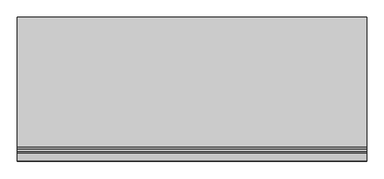
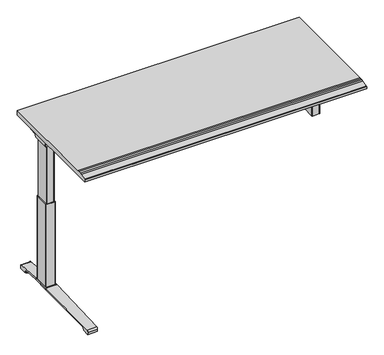
"""IFC4 building model written with IfcOpenShell, lengths in millimetres: furniture geometry."""

from ifc_helpers import new_model, si_unit, point, frame, frame_2d, origin, place, context, project, spatial, polyline, circle_curve, ellipse_curve, trimmed, segment, composite_curve, outline, extrude, source, transform, mapped, element, save
from ifc_brep_helpers import plane_surface, cylinder_surface, revolved_surface, advanced_brep


def furniture_fb7d9b8c(model_context):
    return source(origin(), model_context, "Body", "SolidModel", [
        extrude(outline(polyline([(366.776, 1037.209), (-366.776, 1037.209), (-366.776, 1050.0105997), (-366.1167743, 1051.9474988), (-364.5751839, 1053.0400713), (-326.703664, 1062.3674515), (-315.4800395, 1064.8238668), (-304.0866215, 1066.3050482), (-292.6079981, 1066.8), (366.776, 1066.8), (366.776, 1037.209)])), frame((-887.476, 0.0, 0.0), z_axis=(1.0, 0.0, 0.0), x_axis=(0.0, 1.0, 0.0)), (0.0, 0.0, 1.0), 1774.952),
        advanced_brep(
        [(-871.1406297, 194.2506702, 988.7915733), (-705.4122138, 194.2506702, 988.7915733), (-719.7924181, 192.0222169, 986.1442785), (-868.6518591, 192.0222169, 986.1442785), (-871.3625278, 194.259656, 989.0276054), (-873.7619089, 194.9036827, 1005.9443054), (-690.9773962, 194.9036827, 1005.9443054), (-690.9773962, 194.5556965, 996.8037253), (-693.8075093, 194.4745058, 994.6710821), (-693.9501644, 194.3968397, 992.6310191), (-874.6185362, 200.3707181, 1011.9839076), (-690.9773962, 200.3707181, 1011.9839076), (-877.1393767, 314.9419225, 1029.7569507), (-812.9243442, 314.9419225, 1029.7569507), (-690.9773962, 234.1372, 1017.2219877), (-877.2128152, 318.7179275, 1030.2747243), (-818.6229255, 318.7179275, 1030.2747243), (-877.8871296, 320.2281839, 1035.0289399), (-876.1021288, 317.6512888, 1037.209), (-817.0132011, 317.6512888, 1037.209), (-877.8871296, -38.7453839, 1035.0289399), (-877.2128152, -37.2351275, 1030.2747243), (-818.6229255, -37.2351275, 1030.2747243), (-817.0132011, -36.1684888, 1037.209), (-876.1021288, -36.1684888, 1037.209), (-877.1393767, -33.4591225, 1029.7569507), (-812.9243442, -33.4591225, 1029.7569507), (-874.6185362, 81.1120819, 1011.9839076), (-690.9773962, 81.1120819, 1011.9839076), (-690.9773962, 47.3456, 1017.2219877), (-873.7619089, 86.5791173, 1005.9443054), (-690.9773962, 86.5791173, 1005.9443054), (-871.3625278, 87.223144, 989.0276054), (-871.1406297, 87.2321298, 988.7915733), (-705.4122138, 87.2321298, 988.7915733), (-693.9501644, 87.0859603, 992.6310191), (-693.8075093, 87.0082942, 994.6710821), (-690.9773962, 86.9271035, 996.8037253), (-868.6518591, 89.4605831, 986.1442785), (-719.7924181, 89.4605831, 986.1442785), (-690.9773962, 47.3456, 1037.209), (-690.9773962, 234.1372, 1037.209)],
        [
            (0, 1),
            (1, 2, ellipse_curve(frame((-729.6936465, 271.2884009, 1080.3086722), z_axis=(0.0, 0.7650318638532662, -0.6439924279750482), x_axis=(0.0, 0.6439924279750482, 0.7650318638532662)), 123.7641411, 94.6835116)),
            (2, 3),
            (3, 0),
            (0, 4),
            (4, 5),
            (5, 6),
            (6, 7),
            (7, 8),
            (8, 9),
            (9, 1, ellipse_curve(frame((-729.6936465, 197.7347686, 1080.3086722), z_axis=(0.0, 0.999276106683639, -0.03804290487316255), x_axis=(0.0, 0.03804290487316397, 0.999276106683639)), 94.752102, 94.6835116)),
            (5, 10, ellipse_curve(frame((-873.7119691, 201.3622409, 1005.5922075), z_axis=(-0.990090671484964, 0.0, -0.14042956326377007), x_axis=(-0.1404295632637696, 0.0, 0.990090671484964)), 6.5328852, 6.4681487)),
            (10, 11),
            (11, 6, circle_curve(frame((-690.9773962, 201.3622409, 1005.5922075), z_axis=(1.0, 0.0, 0.0), x_axis=(0.0, 1.0, 0.0)), 6.4681487)),
            (10, 12),
            (12, 13),
            (13, 14),
            (14, 11),
            (12, 15),
            (15, 16),
            (16, 13),
            (15, 17, ellipse_curve(frame((-877.6730772, 316.7408111, 1033.5197755), z_axis=(0.990090671484964, 0.0, 0.14042956326377007), x_axis=(0.1404295632637696, 0.0, -0.990090671484964)), 3.8379455, 3.7999141)),
            (17, 18, ellipse_curve(frame((-879.122811, 316.7408111, 1033.5197755), z_axis=(0.7737284588433301, 0.0, -0.6335173809580328), x_axis=(0.6335173809580328, 0.0, 0.77372845884333)), 4.9111727, 3.7999141)),
            (18, 19),
            (19, 16, ellipse_curve(frame((-815.639148, 316.7408111, 1033.5197755), z_axis=(-0.5523637579768194, -0.8336031902972335, 0.0), x_axis=(0.8336031902972336, -0.5523637579768194, 0.0)), 6.8793689, 3.7999141)),
            (20, 21, ellipse_curve(frame((-877.6730772, -35.2580111, 1033.5197755), z_axis=(0.990090671484964, 0.0, 0.14042956326377007), x_axis=(0.1404295632637696, 0.0, -0.990090671484964)), 3.8379455, 3.7999141)),
            (21, 22),
            (22, 23, ellipse_curve(frame((-815.639148, -35.2580111, 1033.5197755), z_axis=(-0.5523637579750398, 0.8336031902984128, 0.0), x_axis=(0.8336031902984128, 0.5523637579750399, 0.0)), 6.8793689, 3.7999141)),
            (23, 24),
            (24, 20, ellipse_curve(frame((-879.122811, -35.2580111, 1033.5197755), z_axis=(0.7737284588433301, 0.0, -0.6335173809580328), x_axis=(0.6335173809580328, 0.0, 0.77372845884333)), 4.9111727, 3.7999141)),
            (21, 25),
            (25, 26),
            (26, 22),
            (27, 28),
            (28, 29),
            (29, 26),
            (25, 27),
            (27, 30, ellipse_curve(frame((-873.7119691, 80.1205591, 1005.5922075), z_axis=(-0.990090671484964, 0.0, -0.14042956326377007), x_axis=(-0.1404295632637696, 0.0, 0.990090671484964)), 6.5328852, 6.4681487)),
            (30, 31),
            (31, 28, circle_curve(frame((-690.9773962, 80.1205591, 1005.5922075), z_axis=(1.0, 0.0, 0.0), x_axis=(0.0, 1.0, 0.0)), 6.4681487)),
            (30, 32),
            (32, 33),
            (33, 34),
            (34, 35, ellipse_curve(frame((-729.6936465, 83.7480314, 1080.3086722), z_axis=(0.0, -0.9992761066836363, -0.03804290487323539), x_axis=(0.0, 0.03804290487323121, -0.9992761066836364)), 94.752102, 94.6835116)),
            (35, 36),
            (36, 37),
            (37, 31),
            (33, 38),
            (38, 39),
            (39, 34, ellipse_curve(frame((-729.6936465, 10.1943991, 1080.3086722), z_axis=(0.0, -0.7650318638534733, -0.643992427974802), x_axis=(0.0, 0.643992427974802, -0.7650318638534732)), 123.7641411, 94.6835116)),
            (4, 32),
            (20, 17),
            (24, 18),
            (23, 40),
            (40, 41),
            (41, 19),
            (37, 7),
            (14, 41),
            (40, 29),
            (36, 8),
            (35, 9),
            (39, 2),
            (38, 3),
        ],
        [
            plane_surface(frame((-894.1773962, 192.0222169, 986.1442785), z_axis=(0.0, 0.7650318638532662, -0.6439924279750482), x_axis=(1.0, 0.0, 0.0))),
            plane_surface(frame((-894.1773962, 194.2506702, 988.7915733), z_axis=(0.0, 0.999276106683639, -0.03804290487316255), x_axis=(1.0, 0.0, 0.0))),
            revolved_surface(polyline([(-874.6293793154883, 207.8303896, 1005.5922075), (-690.9773962, 207.8303896, 1005.5922075)]), (-894.1773962, 201.3622409, 1005.5922075), (-1.0, 0.0, 0.0)),
            plane_surface(frame((-894.1773962, 200.3707181, 1011.9839076), z_axis=(0.0, 0.153293135871396, -0.9881807600306302), x_axis=(1.0, 0.0, 0.0))),
            plane_surface(frame((-894.1773962, 314.9419225, 1029.7569507), z_axis=(0.0, 0.13585085469026903, -0.9907292996979162), x_axis=(1.0, 0.0, 0.0))),
            cylinder_surface(frame((-894.1773962, 316.7408111, 1033.5197755), z_axis=(1.0, 0.0, 0.0), x_axis=(0.0, 1.0, 0.0)), 3.7999141),
            cylinder_surface(frame((-894.1773962, -35.2580111, 1033.5197755), z_axis=(1.0, 0.0, 0.0), x_axis=(0.0, 1.0, 0.0)), 3.7999141),
            plane_surface(frame((-894.1773962, -37.2351275, 1030.2747243), z_axis=(0.0, -0.13585085468791205, -0.9907292996982394), x_axis=(1.0, 0.0, 0.0))),
            plane_surface(frame((-894.1773962, -33.4591225, 1029.7569507), z_axis=(0.0, -0.1532931358714066, -0.9881807600306285), x_axis=(1.0, 0.0, 0.0))),
            revolved_surface(polyline([(-874.6293793154883, 86.5887078, 1005.5922075), (-690.9773962, 86.5887078, 1005.5922075)]), (-894.1773962, 80.1205591, 1005.5922075), (-1.0, 0.0, 0.0)),
            plane_surface(frame((-894.1773962, 86.5791173, 1005.9443054), z_axis=(0.0, -0.9992761066836363, -0.03804290487323539), x_axis=(1.0, 0.0, 0.0))),
            plane_surface(frame((-894.1773962, 87.2321298, 988.7915733), z_axis=(0.0, -0.7650318638534733, -0.643992427974802), x_axis=(1.0, 0.0, 0.0))),
            plane_surface(frame((-871.3625278, 331.2414, 989.0276054), z_axis=(-0.990090671484964, 0.0, -0.14042956326377007), x_axis=(0.0, -1.0, 0.0))),
            plane_surface(frame((-877.8871296, 331.2414, 1035.0289399), z_axis=(-0.7737284588433301, 0.0, 0.6335173809580328), x_axis=(0.0, -1.0, 0.0))),
            plane_surface(frame((-876.1021288, 331.2414, 1037.209), z_axis=(0.0, 0.0, 1.0), x_axis=(0.0, -1.0, 0.0))),
            plane_surface(frame((-690.9773962, 331.2414, 1037.209), z_axis=(1.0, 0.0, 0.0), x_axis=(0.0, -1.0, 0.0))),
            plane_surface(frame((-690.9773962, 331.2414, 996.8037253), z_axis=(0.6018150231516033, 0.0, -0.7986355100476283), x_axis=(0.0, -1.0, 0.0))),
            plane_surface(frame((-693.8075093, 331.2414, 994.6710821), z_axis=(0.9975640502600401, 0.0, -0.06975647374103827), x_axis=(0.0, -1.0, 0.0))),
            cylinder_surface(frame((-729.6936465, 331.2414, 1080.3086722), z_axis=(0.0, 1.0, 0.0), x_axis=(1.0, 0.0, 0.0)), 94.6835116),
            plane_surface(frame((-719.7924181, 331.2414, 986.1442785), z_axis=(0.0, 0.0, -1.0), x_axis=(0.0, -1.0, 0.0))),
            plane_surface(frame((-868.6518591, 331.2414, 986.1442785), z_axis=(-0.728584606419653, 0.0, -0.6849558170337118), x_axis=(0.0, -1.0, 0.0))),
            plane_surface(frame((-837.5228017, 331.2414, 1037.209), z_axis=(0.5523637579768194, 0.8336031902972335, 0.0), x_axis=(0.0, 0.0, -1.0))),
            plane_surface(frame((-690.9773962, 47.3456, 1037.209), z_axis=(0.5523637579750398, -0.8336031902984128, 0.0), x_axis=(0.0, 0.0, -1.0))),
        ],
        [
            (0, [[1, 2, 3, 4]]),
            (1, [[-1, 5, 6, 7, 8, 9, 10, 11]]),
            (2, [[-7, 12, 13, 14]]),
            (3, [[-13, 15, 16, 17, 18]]),
            (4, [[19, 20, 21, -16]]),
            (5, [[22, 23, 24, 25, -20]]),
            (6, [[26, 27, 28, 29, 30]]),
            (7, [[31, 32, 33, -27]]),
            (8, [[34, 35, 36, -32, 37]]),
            (9, [[-34, 38, 39, 40]]),
            (10, [[-39, 41, 42, 43, 44, 45, 46, 47]]),
            (11, [[-43, 48, 49, 50]]),
            (12, [[51, -41, -38, -37, -31, -26, 52, -22, -19, -15, -12, -6]]),
            (13, [[-52, -30, 53, -23]]),
            (14, [[-53, -29, 54, 55, 56, -24]]),
            (15, [[57, -8, -14, -18, 58, -55, 59, -35, -40, -47]]),
            (16, [[-57, -46, 60, -9]]),
            (17, [[-60, -45, 61, -10]]),
            (18, [[-61, -44, -50, 62, -2, -11]]),
            (19, [[-62, -49, 63, -3]]),
            (20, [[-51, -5, -4, -63, -48, -42]]),
            (21, [[-56, -58, -17, -21, -25]]),
            (22, [[-54, -28, -33, -36, -59]]),
        ],
    ),
        advanced_brep(
        [(705.4122138, 194.2506702, 988.7915733), (871.1406297, 194.2506702, 988.7915733), (868.6518591, 192.0222169, 986.1442785), (719.7924181, 192.0222169, 986.1442785), (693.9501644, 194.3968397, 992.6310191), (693.8075093, 194.4745058, 994.6710821), (691.1619573, 194.5504018, 996.6646485), (691.1619573, 194.9036827, 1005.9443054), (873.7619089, 194.9036827, 1005.9443054), (871.3625278, 194.259656, 989.0276054), (691.1619573, 200.3707181, 1011.9839076), (874.6185362, 200.3707181, 1011.9839076), (691.1619573, 234.1303953, 1017.2209321), (812.9570453, 314.9419225, 1029.7569507), (877.1393767, 314.9419225, 1029.7569507), (877.2128152, 318.7179275, 1030.2747243), (818.6480509, 318.7179275, 1030.2747243), (877.8871296, 320.2281839, 1035.0289399), (817.0404665, 317.6512888, 1037.209), (876.1021288, 317.6512888, 1037.209), (877.2128152, -37.2351275, 1030.2747243), (877.8871296, -38.7453839, 1035.0289399), (876.1021288, -36.1684888, 1037.209), (817.0404665, -36.1684888, 1037.209), (818.6480509, -37.2351275, 1030.2747243), (877.1393767, -33.4591225, 1029.7569507), (812.9570453, -33.4591225, 1029.7569507), (691.1619573, 81.1120819, 1011.9839076), (874.6185362, 81.1120819, 1011.9839076), (691.1619573, 47.3524047, 1017.2209321), (691.1619573, 86.5791173, 1005.9443054), (873.7619089, 86.5791173, 1005.9443054), (691.1619573, 86.9323982, 996.6646485), (693.8075093, 87.0082942, 994.6710821), (693.9501644, 87.0859603, 992.6310191), (705.4122138, 87.2321298, 988.7915733), (871.1406297, 87.2321298, 988.7915733), (871.3625278, 87.223144, 989.0276054), (719.7924181, 89.4605831, 986.1442785), (868.6518591, 89.4605831, 986.1442785), (691.1619573, 234.1303953, 1037.209), (691.1619573, 47.3524047, 1037.209)],
        [
            (0, 1),
            (1, 2),
            (2, 3),
            (3, 0, ellipse_curve(frame((729.6936465, 271.2884009, 1080.3086722), z_axis=(0.0, 0.7650318638532565, -0.6439924279750596), x_axis=(0.0, -0.6439924279750596, -0.7650318638532564)), 123.7641411, 94.6835116)),
            (0, 4, ellipse_curve(frame((729.6936465, 197.7347686, 1080.3086722), z_axis=(0.0, 0.9992761066836392, -0.03804290487315862), x_axis=(0.0, -0.03804290487315623, -0.9992761066836393)), 94.752102, 94.6835116)),
            (4, 5),
            (5, 6),
            (6, 7),
            (7, 8),
            (8, 9),
            (9, 1),
            (7, 10, circle_curve(frame((691.1619573, 201.3622409, 1005.5922075), z_axis=(-1.0, 0.0, 0.0), x_axis=(0.0, 1.0, 0.0)), 6.4681487)),
            (10, 11),
            (11, 8, ellipse_curve(frame((873.7119691, 201.3622409, 1005.5922075), z_axis=(0.9900906714849659, 0.0, -0.1404295632637567), x_axis=(-0.1404295632637562, 0.0, -0.9900906714849659)), 6.5328852, 6.4681487)),
            (10, 12),
            (12, 13),
            (13, 14),
            (14, 11),
            (15, 14),
            (13, 16),
            (16, 15),
            (17, 15, ellipse_curve(frame((877.6730772, 316.7408111, 1033.5197755), z_axis=(-0.9900906714849659, 0.0, 0.1404295632637567), x_axis=(0.1404295632637562, 0.0, 0.9900906714849659)), 3.8379455, 3.7999141)),
            (16, 18, ellipse_curve(frame((815.66824, 316.7408111, 1033.5197755), z_axis=(0.5528743936295497, -0.8332646067539158, 0.0), x_axis=(0.8332646067539156, 0.5528743936295497, 0.0)), 6.8730151, 3.7999141)),
            (18, 19),
            (19, 17, ellipse_curve(frame((879.122811, 316.7408111, 1033.5197755), z_axis=(-0.7737284588399557, 0.0, -0.633517380962154), x_axis=(0.6335173809621538, 0.0, -0.7737284588399556)), 4.9111727, 3.7999141)),
            (20, 21, ellipse_curve(frame((877.6730772, -35.2580111, 1033.5197755), z_axis=(-0.9900906714849659, 0.0, 0.1404295632637567), x_axis=(0.1404295632637562, 0.0, 0.9900906714849659)), 3.8379455, 3.7999141)),
            (21, 22, ellipse_curve(frame((879.122811, -35.2580111, 1033.5197755), z_axis=(-0.7737284588399557, 0.0, -0.633517380962154), x_axis=(0.6335173809621538, 0.0, -0.7737284588399556)), 4.9111727, 3.7999141)),
            (22, 23),
            (23, 24, ellipse_curve(frame((815.66824, -35.2580111, 1033.5197755), z_axis=(0.5528743936295342, 0.8332646067539261, 0.0), x_axis=(0.8332646067539259, -0.5528743936295342, 0.0)), 6.8730151, 3.7999141)),
            (24, 20),
            (25, 20),
            (24, 26),
            (26, 25),
            (27, 28),
            (28, 25),
            (26, 29),
            (29, 27),
            (27, 30, circle_curve(frame((691.1619573, 80.1205591, 1005.5922075), z_axis=(-1.0, 0.0, 0.0), x_axis=(0.0, 1.0, 0.0)), 6.4681487)),
            (30, 31),
            (31, 28, ellipse_curve(frame((873.7119691, 80.1205591, 1005.5922075), z_axis=(0.9900906714849659, 0.0, -0.1404295632637567), x_axis=(-0.1404295632637562, 0.0, -0.9900906714849659)), 6.5328852, 6.4681487)),
            (30, 32),
            (32, 33),
            (33, 34),
            (34, 35, ellipse_curve(frame((729.6936465, 83.7480314, 1080.3086722), z_axis=(0.0, -0.9992761066836363, -0.03804290487323539), x_axis=(0.0, -0.03804290487323121, 0.9992761066836364)), 94.752102, 94.6835116)),
            (35, 36),
            (36, 37),
            (37, 31),
            (35, 38, ellipse_curve(frame((729.6936465, 10.1943991, 1080.3086722), z_axis=(0.0, -0.7650318638534733, -0.643992427974802), x_axis=(0.0, -0.643992427974802, 0.7650318638534732)), 123.7641411, 94.6835116)),
            (38, 39),
            (39, 36),
            (37, 9),
            (17, 21),
            (19, 22),
            (18, 40),
            (40, 41),
            (41, 23),
            (6, 32),
            (29, 41),
            (40, 12),
            (5, 33),
            (4, 34),
            (3, 38),
            (2, 39),
        ],
        [
            plane_surface(frame((691.1619573, 192.0222169, 986.1442785), z_axis=(0.0, 0.7650318638532565, -0.6439924279750596), x_axis=(1.0, 0.0, 0.0))),
            plane_surface(frame((691.1619573, 194.2506702, 988.7915733), z_axis=(0.0, 0.9992761066836392, -0.03804290487315862), x_axis=(1.0, 0.0, 0.0))),
            revolved_surface(polyline([(691.1619573, 207.8303896, 1005.5922075), (874.6293793154882, 207.8303896, 1005.5922075)]), (691.1619573, 201.3622409, 1005.5922075), (-1.0, 0.0, 0.0)),
            plane_surface(frame((691.1619573, 200.3707181, 1011.9839076), z_axis=(0.0, 0.15329313587140309, -0.988180760030629), x_axis=(1.0, 0.0, 0.0))),
            plane_surface(frame((691.1619573, 314.9419225, 1029.7569507), z_axis=(0.0, 0.1358508546900816, -0.9907292996979419), x_axis=(1.0, 0.0, 0.0))),
            cylinder_surface(frame((691.1619573, 316.7408111, 1033.5197755), z_axis=(1.0, 0.0, 0.0), x_axis=(0.0, 1.0, 0.0)), 3.7999141),
            cylinder_surface(frame((691.1619573, -35.2580111, 1033.5197755), z_axis=(1.0, 0.0, 0.0), x_axis=(0.0, 1.0, 0.0)), 3.7999141),
            plane_surface(frame((691.1619573, -37.2351275, 1030.2747243), z_axis=(0.0, -0.1358508546877776, -0.9907292996982578), x_axis=(1.0, 0.0, 0.0))),
            plane_surface(frame((691.1619573, -33.4591225, 1029.7569507), z_axis=(0.0, -0.15329313587141113, -0.9881807600306277), x_axis=(1.0, 0.0, 0.0))),
            revolved_surface(polyline([(691.1619573, 86.5887078, 1005.5922075), (874.6293793154882, 86.5887078, 1005.5922075)]), (691.1619573, 80.1205591, 1005.5922075), (-1.0, 0.0, 0.0)),
            plane_surface(frame((691.1619573, 86.5791173, 1005.9443054), z_axis=(0.0, -0.9992761066836363, -0.03804290487323539), x_axis=(1.0, 0.0, 0.0))),
            plane_surface(frame((691.1619573, 87.2321298, 988.7915733), z_axis=(0.0, -0.7650318638534733, -0.643992427974802), x_axis=(1.0, 0.0, 0.0))),
            plane_surface(frame((871.3625278, -49.7586, 989.0276054), z_axis=(0.9900906714849659, 0.0, -0.1404295632637567), x_axis=(0.0, 1.0, 0.0))),
            plane_surface(frame((877.8871296, -49.7586, 1035.0289399), z_axis=(0.7737284588399557, 0.0, 0.633517380962154), x_axis=(0.0, 1.0, 0.0))),
            plane_surface(frame((876.1021288, -49.7586, 1037.209), z_axis=(0.0, 0.0, 1.0), x_axis=(0.0, 1.0, 0.0))),
            plane_surface(frame((691.1619573, -49.7586, 1037.209), z_axis=(-1.0, 0.0, 0.0), x_axis=(0.0, 1.0, 0.0))),
            plane_surface(frame((691.1619573, -49.7586, 996.6646485), z_axis=(-0.6018150231540728, 0.0, -0.7986355100457674), x_axis=(0.0, 1.0, 0.0))),
            plane_surface(frame((693.8075093, -49.7586, 994.6710821), z_axis=(-0.9975640502598242, 0.0, -0.06975647374412697), x_axis=(0.0, 1.0, 0.0))),
            cylinder_surface(frame((729.6936465, -49.7586, 1080.3086722), z_axis=(0.0, -1.0, 0.0), x_axis=(-1.0, 0.0, 0.0)), 94.6835116),
            plane_surface(frame((719.7924181, -49.7586, 986.1442785), z_axis=(0.0, 0.0, -1.0), x_axis=(0.0, 1.0, 0.0))),
            plane_surface(frame((868.6518591, -49.7586, 986.1442785), z_axis=(0.7285846064222866, 0.0, -0.6849558170309101), x_axis=(0.0, 1.0, 0.0))),
            plane_surface(frame((691.1619573, 234.1303953, 1037.209), z_axis=(-0.5528743936295497, 0.8332646067539158, 0.0), x_axis=(0.0, 0.0, -1.0))),
            plane_surface(frame((837.5228017, -49.7586, 1037.209), z_axis=(-0.5528743936295342, -0.8332646067539261, 0.0), x_axis=(0.0, 0.0, -1.0))),
        ],
        [
            (0, [[1, 2, 3, 4]]),
            (1, [[-1, 5, 6, 7, 8, 9, 10, 11]]),
            (2, [[-9, 12, 13, 14]]),
            (3, [[-13, 15, 16, 17, 18]]),
            (4, [[19, -17, 20, 21]]),
            (5, [[22, -21, 23, 24, 25]]),
            (6, [[26, 27, 28, 29, 30]]),
            (7, [[31, -30, 32, 33]]),
            (8, [[34, 35, -33, 36, 37]]),
            (9, [[-34, 38, 39, 40]]),
            (10, [[-39, 41, 42, 43, 44, 45, 46, 47]]),
            (11, [[-45, 48, 49, 50]]),
            (12, [[51, -10, -14, -18, -19, -22, 52, -26, -31, -35, -40, -47]]),
            (13, [[-52, -25, 53, -27]]),
            (14, [[-53, -24, 54, 55, 56, -28]]),
            (15, [[57, -41, -38, -37, 58, -55, 59, -15, -12, -8]]),
            (16, [[-57, -7, 60, -42]]),
            (17, [[-60, -6, 61, -43]]),
            (18, [[-61, -5, -4, 62, -48, -44]]),
            (19, [[-62, -3, 63, -49]]),
            (20, [[-51, -46, -50, -63, -2, -11]]),
            (21, [[-54, -23, -20, -16, -59]]),
            (22, [[-56, -58, -36, -32, -29]]),
        ],
    ),
        advanced_brep(
        [(-690.9773962, 219.4245697, 1031.9794894), (-690.9773962, 221.1889242, 1034.2075511), (-690.9773962, 232.1695225, 1034.2075511), (-690.9773962, 232.8996919, 1031.6093085), (-690.9773962, 211.4733108, 1002.0462148), (-690.9773962, 194.0724914, 993.4452863), (-690.9773962, 87.2846156, 993.4452863), (-690.9773962, 69.6568217, 1002.4997482), (-690.9773962, 48.3221138, 1032.2706054), (-690.9773962, 49.9606766, 1034.3266572), (-690.9773962, 60.1758098, 1034.3266572), (-690.9773962, 62.0467848, 1031.9794894), (-690.9773962, 61.3055637, 1031.4423822), (-690.9773962, 59.7353363, 1033.4122572), (-690.9773962, 50.0567238, 1033.4122572), (-690.9773962, 49.2508351, 1032.5444366), (-690.9773962, 70.4000744, 1003.0323858), (-690.9773962, 87.2846156, 994.3598536), (-690.9773962, 194.0724914, 994.3596863), (-690.9773962, 210.73984, 1002.5923713), (-690.9773962, 232.0935627, 1032.0552144), (-690.9773962, 231.8362942, 1033.2931511), (-690.9773962, 221.631209, 1033.2931511), (-690.9773962, 220.1656719, 1031.4424419), (691.1619573, 219.4245697, 1031.9794894), (691.1619573, 220.1656719, 1031.4424419), (691.1619573, 221.631209, 1033.2931511), (691.1619573, 231.8362942, 1033.2931511), (691.1619573, 232.0935627, 1032.0552144), (691.1619573, 210.73984, 1002.5923713), (691.1619573, 194.0724914, 994.3596863), (691.1619573, 87.2846155, 994.3596863), (691.1619573, 70.4000744, 1003.0323858), (691.1619573, 49.2508351, 1032.5444366), (691.1619573, 50.0567238, 1033.4122572), (691.1619573, 59.7353363, 1033.4122572), (691.1619573, 61.3055637, 1031.4423822), (691.1619573, 62.0467848, 1031.9794894), (691.1619573, 60.1758098, 1034.3266572), (691.1619573, 49.9606766, 1034.3266572), (691.1619573, 48.3221138, 1032.2706054), (691.1619573, 69.6568217, 1002.4997482), (691.1619573, 87.2846156, 993.4454536), (691.1619573, 194.0724914, 993.4452863), (691.1619573, 211.4733108, 1002.0462148), (691.1619573, 232.8996919, 1031.6093085), (691.1619573, 232.1695225, 1034.2075511), (691.1619573, 221.1889242, 1034.2075511)],
        [
            (0, 1),
            (1, 2),
            (2, 3, circle_curve(frame((-690.9773962, 230.9519576, 1032.4636667), z_axis=(-1.0, 0.0, 0.0), x_axis=(0.0, 1.0, 0.0)), 2.1268749)),
            (3, 4),
            (4, 5, circle_curve(frame((-690.9773962, 194.0724914, 1015.3478336), z_axis=(-1.0, 0.0, 0.0), x_axis=(0.0, 1.0, 0.0)), 21.9025472)),
            (5, 6),
            (6, 7, circle_curve(frame((-690.9773962, 87.2846156, 1015.132365), z_axis=(-1.0, 0.0, 0.0), x_axis=(0.0, 1.0, 0.0)), 21.6869114)),
            (7, 8),
            (8, 9, circle_curve(frame((-690.9773962, 50.3224635, 1032.3573833), z_axis=(-1.0, 0.0, 0.0), x_axis=(0.0, 1.0, 0.0)), 2.0022311)),
            (9, 10),
            (10, 11),
            (11, 12),
            (12, 13),
            (13, 14),
            (14, 15, circle_curve(frame((-690.9773962, 50.3224635, 1032.3573833), z_axis=(1.0, 0.0, 0.0), x_axis=(0.0, 1.0, 0.0)), 1.0878311)),
            (15, 16),
            (16, 17, circle_curve(frame((-690.9773962, 87.2846156, 1015.132365), z_axis=(1.0, 0.0, 0.0), x_axis=(0.0, 1.0, 0.0)), 20.7725114)),
            (17, 18),
            (18, 19, circle_curve(frame((-690.9773962, 194.0724914, 1015.3478336), z_axis=(1.0, 0.0, 0.0), x_axis=(0.0, 1.0, 0.0)), 20.9881473)),
            (19, 20),
            (20, 21, circle_curve(frame((-690.9773962, 230.9519576, 1032.4636667), z_axis=(1.0, 0.0, 0.0), x_axis=(0.0, 1.0, 0.0)), 1.2124749)),
            (21, 22),
            (22, 23),
            (23, 0),
            (24, 25),
            (25, 26),
            (26, 27),
            (27, 28, circle_curve(frame((691.1619573, 230.9519576, 1032.4636667), z_axis=(-1.0, 0.0, 0.0), x_axis=(0.0, 1.0, 0.0)), 1.2124749)),
            (28, 29),
            (29, 30, circle_curve(frame((691.1619573, 194.0724914, 1015.3478336), z_axis=(-1.0, 0.0, 0.0), x_axis=(0.0, 1.0, 0.0)), 20.9881473)),
            (30, 31),
            (31, 32, circle_curve(frame((691.1619573, 87.2846156, 1015.132365), z_axis=(-1.0, 0.0, 0.0), x_axis=(0.0, 1.0, 0.0)), 20.7725114)),
            (32, 33),
            (33, 34, circle_curve(frame((691.1619573, 50.3224635, 1032.3573833), z_axis=(-1.0, 0.0, 0.0), x_axis=(0.0, 1.0, 0.0)), 1.0878311)),
            (34, 35),
            (35, 36),
            (36, 37),
            (37, 38),
            (38, 39),
            (39, 40, circle_curve(frame((691.1619573, 50.3224635, 1032.3573833), z_axis=(1.0, 0.0, 0.0), x_axis=(0.0, 1.0, 0.0)), 2.0022311)),
            (40, 41),
            (41, 42, circle_curve(frame((691.1619573, 87.2846156, 1015.132365), z_axis=(1.0, 0.0, 0.0), x_axis=(0.0, 1.0, 0.0)), 21.6869114)),
            (42, 43),
            (43, 44, circle_curve(frame((691.1619573, 194.0724914, 1015.3478336), z_axis=(1.0, 0.0, 0.0), x_axis=(0.0, 1.0, 0.0)), 21.9025472)),
            (44, 45),
            (45, 46, circle_curve(frame((691.1619573, 230.9519576, 1032.4636667), z_axis=(1.0, 0.0, 0.0), x_axis=(0.0, 1.0, 0.0)), 2.1268749)),
            (46, 47),
            (47, 24),
            (0, 24),
            (47, 1),
            (46, 2),
            (45, 3),
            (44, 4),
            (43, 5),
            (42, 6),
            (41, 7),
            (40, 8),
            (39, 9),
            (38, 10),
            (37, 11),
            (36, 12),
            (35, 13),
            (34, 14),
            (33, 15),
            (32, 16),
            (31, 17),
            (30, 18),
            (29, 19),
            (28, 20),
            (27, 21),
            (26, 22),
            (25, 23),
        ],
        [
            plane_surface(frame((-690.9773962, 140.7414, 1037.209), z_axis=(-1.0, 0.0, 0.0), x_axis=(0.0, 0.0, 1.0))),
            plane_surface(frame((691.1619573, 140.7414, 1037.209), z_axis=(1.0, 0.0, 0.0), x_axis=(0.0, 0.0, 1.0))),
            plane_surface(frame((-690.9773962, 219.4245697, 1031.9794894), z_axis=(0.0, -0.7839649337165058, 0.6208051084703434), x_axis=(1.0, 0.0, 0.0))),
            plane_surface(frame((-690.9773962, 221.1889242, 1034.2075511), z_axis=(0.0, 0.0, 1.0), x_axis=(1.0, 0.0, 0.0))),
            cylinder_surface(frame((-690.9773962, 230.9519576, 1032.4636667), z_axis=(-1.0, 0.0, 0.0), x_axis=(0.0, 1.0, 0.0)), 2.1268749),
            plane_surface(frame((-690.9773962, 232.8996919, 1031.6093085), z_axis=(0.0, 0.8096997445281038, -0.586844377762217), x_axis=(1.0, 0.0, 0.0))),
            cylinder_surface(frame((-690.9773962, 194.0724914, 1015.3478336), z_axis=(-1.0, 0.0, 0.0), x_axis=(0.0, 1.0, 0.0)), 21.9025472),
            plane_surface(frame((-690.9773962, 194.0724914, 993.4452863), z_axis=(0.0, 0.0, -1.0), x_axis=(1.0, 0.0, 0.0))),
            cylinder_surface(frame((-690.9773962, 87.2846156, 1015.132365), z_axis=(-1.0, 0.0, 0.0), x_axis=(0.0, 1.0, 0.0)), 21.6869114),
            plane_surface(frame((-690.9773962, 69.6568217, 1002.4997482), z_axis=(0.0, -0.8128309997561537, -0.5824995844079305), x_axis=(1.0, 0.0, 0.0))),
            cylinder_surface(frame((-690.9773962, 50.3224635, 1032.3573833), z_axis=(-1.0, 0.0, 0.0), x_axis=(0.0, 1.0, 0.0)), 2.0022311),
            plane_surface(frame((-690.9773962, 49.9606766, 1034.3266572), z_axis=(0.0, 0.0, 1.0), x_axis=(1.0, 0.0, 0.0))),
            plane_surface(frame((-690.9773962, 60.1758098, 1034.3266572), z_axis=(0.0, 0.7819660587237972, 0.6233210112004657), x_axis=(1.0, 0.0, 0.0))),
            plane_surface(frame((-690.9773962, 62.0467848, 1031.9794894), z_axis=(0.0, 0.5867684336468096, -0.8097547809526473), x_axis=(1.0, 0.0, 0.0))),
            plane_surface(frame((-690.9773962, 61.3055637, 1031.4423822), z_axis=(0.0, -0.7819660587239206, -0.6233210112003109), x_axis=(1.0, 0.0, 0.0))),
            plane_surface(frame((-690.9773962, 59.7353363, 1033.4122572), z_axis=(0.0, 0.0, -1.0), x_axis=(1.0, 0.0, 0.0))),
            revolved_surface(polyline([(691.1619573000002, 51.4102946, 1032.3573833), (-690.9773962, 51.4102946, 1032.3573833)]), (-690.9773962, 50.3224635, 1032.3573833), (1.0, 0.0, 0.0)),
            plane_surface(frame((-690.9773962, 49.2508351, 1032.5444366), z_axis=(0.0, 0.8128309996716102, 0.582499584525904), x_axis=(1.0, 0.0, 0.0))),
            revolved_surface(polyline([(691.1619573000002, 108.057127, 1015.132365), (-690.9773962, 108.057127, 1015.132365)]), (-690.9773962, 87.2846156, 1015.132365), (1.0, 0.0, 0.0)),
            plane_surface(frame((-690.9773962, 87.2846155, 994.3596863), z_axis=(0.0, 0.0, 1.0), x_axis=(1.0, 0.0, 0.0))),
            revolved_surface(polyline([(691.1619573000002, 215.0606387, 1015.3478336), (-690.9773962, 215.0606387, 1015.3478336)]), (-690.9773962, 194.0724914, 1015.3478336), (1.0, 0.0, 0.0)),
            plane_surface(frame((-690.9773962, 210.73984, 1002.5923713), z_axis=(0.0, -0.8096997449536107, 0.5868443771751228), x_axis=(1.0, 0.0, 0.0))),
            revolved_surface(polyline([(691.1619573000002, 232.16443249999998, 1032.4636667), (-690.9773962, 232.16443249999998, 1032.4636667)]), (-690.9773962, 230.9519576, 1032.4636667), (1.0, 0.0, 0.0)),
            plane_surface(frame((-690.9773962, 231.8362942, 1033.2931511), z_axis=(0.0, 0.0, -1.0), x_axis=(1.0, 0.0, 0.0))),
            plane_surface(frame((-690.9773962, 221.631209, 1033.2931511), z_axis=(0.0, 0.7839649337164979, -0.6208051084703533), x_axis=(1.0, 0.0, 0.0))),
            plane_surface(frame((-690.9773962, 220.1656719, 1031.4424419), z_axis=(0.0, -0.5867873637752554, -0.8097410633737715), x_axis=(1.0, 0.0, 0.0))),
        ],
        [
            (0, [[1, 2, 3, 4, 5, 6, 7, 8, 9, 10, 11, 12, 13, 14, 15, 16, 17, 18, 19, 20, 21, 22, 23, 24]]),
            (1, [[25, 26, 27, 28, 29, 30, 31, 32, 33, 34, 35, 36, 37, 38, 39, 40, 41, 42, 43, 44, 45, 46, 47, 48]]),
            (2, [[-1, 49, -48, 50]]),
            (3, [[-2, -50, -47, 51]]),
            (4, [[-3, -51, -46, 52]]),
            (5, [[-4, -52, -45, 53]]),
            (6, [[-5, -53, -44, 54]]),
            (7, [[-6, -54, -43, 55]]),
            (8, [[-7, -55, -42, 56]]),
            (9, [[-8, -56, -41, 57]]),
            (10, [[-9, -57, -40, 58]]),
            (11, [[-10, -58, -39, 59]]),
            (12, [[-11, -59, -38, 60]]),
            (13, [[-12, -60, -37, 61]]),
            (14, [[-13, -61, -36, 62]]),
            (15, [[-14, -62, -35, 63]]),
            (16, [[-15, -63, -34, 64]]),
            (17, [[-16, -64, -33, 65]]),
            (18, [[-17, -65, -32, 66]]),
            (19, [[-18, -66, -31, 67]]),
            (20, [[-19, -67, -30, 68]]),
            (21, [[-20, -68, -29, 69]]),
            (22, [[-21, -69, -28, 70]]),
            (23, [[-22, -70, -27, 71]]),
            (24, [[-23, -71, -26, 72]]),
            (25, [[-24, -72, -25, -49]]),
        ],
    ),
        extrude(outline(composite_curve([segment(polyline([(55.5056383, 1035.5739712), (47.2253898, 1035.5739712), (46.7140592, 1034.5565876), (69.739753, 1002.6872047)]), True, "CONTINUOUS"), segment(trimmed(circle_curve(frame_2d((87.8837814, 1018.2741393)), 23.9198306), [point((69.739753, 1002.6872047))], [point((87.8837814, 994.3543087))], True, "CARTESIAN"), True, "CONTINUOUS"), segment(polyline([(87.8837814, 994.3543087), (301.5718611, 994.3543087)]), True, "CONTINUOUS"), segment(trimmed(circle_curve(frame_2d((302.3659677, 1016.4522042)), 22.1121593), [point((301.5718611, 994.3543087))], [point((320.2711793, 1003.4771903))], True, "CARTESIAN"), True, "CONTINUOUS"), segment(polyline([(320.2711793, 1003.4771903), (342.2234672, 1033.7708273), (342.9639039, 1033.2342821), (321.0116102, 1002.940637)]), True, "CONTINUOUS"), segment(trimmed(circle_curve(frame_2d((302.3659677, 1016.4522042)), 23.0265593), [point((321.0116102, 1002.940637))], [point((301.555603, 993.4399087))], False, "CARTESIAN"), True, "CONTINUOUS"), segment(polyline([(301.555603, 993.4399087), (87.8837814, 993.4399087)]), True, "CONTINUOUS"), segment(trimmed(circle_curve(frame_2d((87.8837814, 1018.2741393)), 24.8342306), [point((87.8837814, 993.4399087))], [point((69.0208769, 1002.1208163))], False, "CARTESIAN"), True, "CONTINUOUS"), segment(polyline([(69.0208769, 1002.1208163), (45.6477131, 1034.4711252), (46.6615684, 1036.4883712), (55.7445219, 1036.4883712), (55.5056383, 1035.5739712)]), True, "CONTINUOUS")], self_intersect=False)), frame((-690.9773962, 0.0, 0.0), z_axis=(1.0, 0.0, 0.0), x_axis=(0.0, 1.0, 0.0)), (0.0, 0.0, 1.0), 1382.1393535),
        advanced_brep(
        [(814.7283088, 185.4896497, 986.1442785), (811.9624028, 183.1364111, 986.1442785), (811.9624028, 98.3627858, 986.1442785), (815.0159671, 96.013387, 986.1442785), (858.3299922, 95.9931503, 986.1442785), (861.3895972, 98.3628936, 986.1442785), (861.3895972, 183.1364956, 986.1442785), (858.6236912, 185.4896497, 986.1442785), (814.7283088, 185.4896497, 599.0990785), (858.6236912, 185.4896497, 599.0990785), (861.3895972, 183.1364956, 599.0990785), (861.3895972, 98.3628936, 599.0990785), (858.3360098, 96.0133923, 599.0990785), (815.0220078, 95.9931503, 599.0990785), (811.9624028, 98.3627858, 599.0990785), (811.9624028, 183.1364111, 599.0990785)],
        [
            (0, 1, circle_curve(frame((815.0300788, 182.3328719, 986.1442785), z_axis=(0.0, 0.0, 1.0), x_axis=(1.0, 0.0, 0.0)), 3.1711688)),
            (1, 2),
            (2, 3, circle_curve(frame((815.0159671, 99.172478, 986.1442785), z_axis=(0.0, 0.0, 1.0), x_axis=(1.0, 0.0, 0.0)), 3.1590911)),
            (3, 4),
            (4, 5, circle_curve(frame((858.3360098, 99.172478, 986.1442785), z_axis=(0.0, 0.0, 1.0), x_axis=(1.0, 0.0, 0.0)), 3.1590858)),
            (5, 6),
            (6, 7, circle_curve(frame((858.3219439, 182.3328698, 986.1442785), z_axis=(0.0, 0.0, 1.0), x_axis=(1.0, 0.0, 0.0)), 3.1711687)),
            (7, 0),
            (8, 9),
            (9, 10, circle_curve(frame((858.3219439, 182.3328698, 599.0990785), z_axis=(0.0, 0.0, -1.0), x_axis=(1.0, 0.0, 0.0)), 3.1711687)),
            (10, 11),
            (11, 12, circle_curve(frame((858.3360098, 99.172478, 599.0990785), z_axis=(0.0, 0.0, -1.0), x_axis=(1.0, 0.0, 0.0)), 3.1590858)),
            (12, 13),
            (13, 14, circle_curve(frame((815.0159671, 99.172478, 599.0990785), z_axis=(0.0, 0.0, -1.0), x_axis=(1.0, 0.0, 0.0)), 3.1590911)),
            (14, 15),
            (15, 8, circle_curve(frame((815.0300788, 182.3328719, 599.0990785), z_axis=(0.0, 0.0, -1.0), x_axis=(1.0, 0.0, 0.0)), 3.1711688)),
            (7, 9),
            (8, 0),
            (6, 10),
            (5, 11),
            (4, 12),
            (3, 13),
            (2, 14),
            (1, 15),
        ],
        [
            plane_surface(frame((818.2012476, 182.3328719, 986.1442785), z_axis=(0.0, 0.0, 1.0), x_axis=(0.0, 1.0, 0.0))),
            plane_surface(frame((818.2012476, 182.3328719, 599.0990785), z_axis=(0.0, 0.0, -1.0), x_axis=(0.0, -1.0, 0.0))),
            plane_surface(frame((858.6236912, 185.4896497, 986.1442785), z_axis=(0.0, 1.0, 0.0), x_axis=(0.0, 0.0, -1.0))),
            cylinder_surface(frame((858.3219439, 182.3328698, 599.0990785), z_axis=(0.0, 0.0, 1.0), x_axis=(1.0, 0.0, 0.0)), 3.1711687),
            plane_surface(frame((861.3895972, 98.3628936, 986.1442785), z_axis=(1.0, 0.0, 0.0), x_axis=(0.0, 0.0, -1.0))),
            cylinder_surface(frame((858.3360098, 99.172478, 599.0990785), z_axis=(0.0, 0.0, 1.0), x_axis=(1.0, 0.0, 0.0)), 3.1590858),
            plane_surface(frame((815.0220078, 95.9931503, 986.1442785), z_axis=(0.0, -1.0, 0.0), x_axis=(0.0, 0.0, -1.0))),
            cylinder_surface(frame((815.0159671, 99.172478, 599.0990785), z_axis=(0.0, 0.0, 1.0), x_axis=(1.0, 0.0, 0.0)), 3.1590911),
            plane_surface(frame((811.9624028, 183.1364111, 986.1442785), z_axis=(-1.0, 0.0, 0.0), x_axis=(0.0, 0.0, -1.0))),
            cylinder_surface(frame((815.0300788, 182.3328719, 599.0990785), z_axis=(0.0, 0.0, 1.0), x_axis=(1.0, 0.0, 0.0)), 3.1711688),
        ],
        [
            (0, [[1, 2, 3, 4, 5, 6, 7, 8]]),
            (1, [[9, 10, 11, 12, 13, 14, 15, 16]]),
            (2, [[-8, 17, -9, 18]]),
            (3, [[-7, 19, -10, -17]]),
            (4, [[-6, 20, -11, -19]]),
            (5, [[-5, 21, -12, -20]]),
            (6, [[-4, 22, -13, -21]]),
            (7, [[-3, 23, -14, -22]]),
            (8, [[-2, 24, -15, -23]]),
            (9, [[-1, -18, -16, -24]]),
        ],
    ),
        advanced_brep(
        [(-814.7283088, 185.4896497, 986.1442785), (-858.6236912, 185.4896497, 986.1442785), (-861.3806448, 183.1699241, 986.1442785), (-861.3806448, 98.3298508, 986.1442785), (-858.3360098, 96.0133923, 986.1442785), (-815.0220078, 95.9931503, 986.1442785), (-811.9713552, 98.3297475, 986.1442785), (-811.9713552, 183.1698433, 986.1442785), (-814.7283088, 185.4896497, 599.0990785), (-811.9713552, 183.1698433, 599.0990785), (-811.9713552, 98.3297475, 599.0990785), (-815.0159671, 96.013387, 599.0990785), (-858.3299922, 95.9931503, 599.0990785), (-861.3806448, 98.3298508, 599.0990785), (-861.3806448, 183.1699241, 599.0990785), (-858.6236912, 185.4896497, 599.0990785)],
        [
            (0, 1),
            (1, 2, circle_curve(frame((-858.3219439, 182.3328698, 986.1442785), z_axis=(0.0, 0.0, 1.0), x_axis=(-1.0, 0.0, 0.0)), 3.1711687)),
            (2, 3),
            (3, 4, circle_curve(frame((-858.3360098, 99.172478, 986.1442785), z_axis=(0.0, 0.0, 1.0), x_axis=(-1.0, 0.0, 0.0)), 3.1590858)),
            (4, 5),
            (5, 6, circle_curve(frame((-815.0159671, 99.172478, 986.1442785), z_axis=(0.0, 0.0, 1.0), x_axis=(-1.0, 0.0, 0.0)), 3.1590911)),
            (6, 7),
            (7, 0, circle_curve(frame((-815.0300788, 182.3328719, 986.1442785), z_axis=(0.0, 0.0, 1.0), x_axis=(-1.0, 0.0, 0.0)), 3.1711688)),
            (8, 9, circle_curve(frame((-815.0300788, 182.3328719, 599.0990785), z_axis=(0.0, 0.0, -1.0), x_axis=(-1.0, 0.0, 0.0)), 3.1711688)),
            (9, 10),
            (10, 11, circle_curve(frame((-815.0159671, 99.172478, 599.0990785), z_axis=(0.0, 0.0, -1.0), x_axis=(-1.0, 0.0, 0.0)), 3.1590911)),
            (11, 12),
            (12, 13, circle_curve(frame((-858.3360098, 99.172478, 599.0990785), z_axis=(0.0, 0.0, -1.0), x_axis=(-1.0, 0.0, 0.0)), 3.1590858)),
            (13, 14),
            (14, 15, circle_curve(frame((-858.3219439, 182.3328698, 599.0990785), z_axis=(0.0, 0.0, -1.0), x_axis=(-1.0, 0.0, 0.0)), 3.1711687)),
            (15, 8),
            (0, 8),
            (15, 1),
            (14, 2),
            (13, 3),
            (12, 4),
            (11, 5),
            (10, 6),
            (9, 7),
        ],
        [
            plane_surface(frame((-858.6236912, 185.4896497, 986.1442785), z_axis=(0.0, 0.0, 1.0), x_axis=(-1.0, 0.0, 0.0))),
            plane_surface(frame((-858.6236912, 185.4896497, 599.0990785), z_axis=(0.0, 0.0, -1.0), x_axis=(1.0, 0.0, 0.0))),
            plane_surface(frame((-814.7283088, 185.4896497, 986.1442785), z_axis=(0.0, 1.0, 0.0), x_axis=(0.0, 0.0, -1.0))),
            cylinder_surface(frame((-858.3219439, 182.3328698, 599.0990785), z_axis=(0.0, 0.0, 1.0), x_axis=(-1.0, 0.0, 0.0)), 3.1711687),
            plane_surface(frame((-861.3806448, 183.1699241, 986.1442785), z_axis=(-1.0, 0.0, 0.0), x_axis=(0.0, 0.0, -1.0))),
            cylinder_surface(frame((-858.3360098, 99.172478, 599.0990785), z_axis=(0.0, 0.0, 1.0), x_axis=(-1.0, 0.0, 0.0)), 3.1590858),
            plane_surface(frame((-858.3299922, 95.9931503, 986.1442785), z_axis=(0.0, -1.0, 0.0), x_axis=(0.0, 0.0, -1.0))),
            cylinder_surface(frame((-815.0159671, 99.172478, 599.0990785), z_axis=(0.0, 0.0, 1.0), x_axis=(-1.0, 0.0, 0.0)), 3.1590911),
            plane_surface(frame((-811.9713552, 98.3297475, 986.1442785), z_axis=(1.0, 0.0, 0.0), x_axis=(0.0, 0.0, -1.0))),
            cylinder_surface(frame((-815.0300788, 182.3328719, 599.0990785), z_axis=(0.0, 0.0, 1.0), x_axis=(-1.0, 0.0, 0.0)), 3.1711688),
        ],
        [
            (0, [[1, 2, 3, 4, 5, 6, 7, 8]]),
            (1, [[9, 10, 11, 12, 13, 14, 15, 16]]),
            (2, [[-1, 17, -16, 18]]),
            (3, [[-2, -18, -15, 19]]),
            (4, [[-3, -19, -14, 20]]),
            (5, [[-4, -20, -13, 21]]),
            (6, [[-5, -21, -12, 22]]),
            (7, [[-6, -22, -11, 23]]),
            (8, [[-7, -23, -10, 24]]),
            (9, [[-8, -24, -9, -17]]),
        ],
    ),
        advanced_brep(
        [(-806.9785054, 366.395, 26.8186), (-806.738546, 358.907527, 35.7787117), (-801.5452167, 196.8596127, 48.10013), (-801.5452167, 196.8596127, 38.9541198), (-805.2147479, 311.3603185, 29.0296138), (-805.4055925, 317.3152602, 22.833301), (-805.4414534, 318.4342309, 10.0434261), (-806.9321874, 364.9497362, 10.041053), (-866.6130961, 358.907527, 35.7787117), (-866.3731367, 366.395, 26.8186), (-866.4194547, 364.9497362, 10.041053), (-867.9101887, 318.4342309, 10.0434261), (-867.9460496, 317.3152602, 22.833301), (-868.1368942, 311.3603185, 29.0296138), (-871.8064257, 196.8596013, 38.9541208), (-871.8064254, 196.8596127, 48.10013)],
        [
            (0, 1, ellipse_curve(frame((-806.7139784, 358.1409412, 27.5296273), z_axis=(0.9994868545941119, 0.03203166392132278, 0.0), x_axis=(0.032031663921322555, -0.9994868545941119, 0.0)), 8.2888806, 8.2846272)),
            (1, 2, ellipse_curve(frame((-751.6154773, -1361.1024809, -21513.5555316), z_axis=(0.9994868545941119, 0.03203166392132278, 0.0), x_axis=(0.032031663921322555, -0.9994868545941119, 0.0)), 21628.9673577, 21617.8685525)),
            (2, 3),
            (3, 4),
            (4, 5, ellipse_curve(frame((-805.1869516, 310.4929906, 22.2364289), z_axis=(-0.9994868545941119, -0.03203166392132278, 0.0), x_axis=(-0.032031663921322555, 0.9994868545941119, 0.0)), 6.8518456, 6.8483297)),
            (5, 6),
            (6, 7),
            (7, 0),
            (8, 9, ellipse_curve(frame((-866.6376637, 358.1409412, 27.5296273), z_axis=(-0.9994868545941159, 0.032031663921201325, 0.0), x_axis=(0.032031663921197655, 0.999486854594116, 0.0)), 8.2888806, 8.2846272)),
            (9, 10),
            (10, 11),
            (11, 12),
            (12, 13, ellipse_curve(frame((-868.1646904, 310.4929906, 22.2364289), z_axis=(0.9994868545941159, -0.032031663921201325, 0.0), x_axis=(-0.032031663921197655, -0.999486854594116, 0.0)), 6.8518456, 6.8483297)),
            (13, 14),
            (14, 15),
            (15, 8, ellipse_curve(frame((-921.7361648, -1361.1024809, -21513.5555316), z_axis=(-0.9994868545941159, 0.032031663921201325, 0.0), x_axis=(0.032031663921197655, 0.999486854594116, 0.0)), 21628.9673577, 21617.8685525)),
            (0, 9),
            (8, 1),
            (7, 10),
            (6, 11),
            (5, 12),
            (4, 13),
            (3, 14),
            (2, 15),
        ],
        [
            plane_surface(frame((-807.0293817, 367.9825, 48.10013), z_axis=(0.9994868545941119, 0.03203166392132278, 0.0), x_axis=(0.0, 0.0, -1.0))),
            plane_surface(frame((-871.8064254, 196.8596127, 48.10013), z_axis=(-0.9994868545941159, 0.032031663921201325, 0.0), x_axis=(0.0, 0.0, -1.0))),
            cylinder_surface(frame((-871.8067833, 358.1409412, 27.5296273), z_axis=(1.0, 0.0, 0.0), x_axis=(0.0, 1.0, 0.0)), 8.2846272),
            plane_surface(frame((-801.5452167, 364.9497362, 10.041053), z_axis=(0.0, 0.9963102368704431, -0.08582489095339255), x_axis=(-1.0, 0.0, 0.0))),
            plane_surface(frame((-801.5452167, 318.4342309, 10.0434261), z_axis=(0.0, -5.101798420145369e-05, -0.9999999986985827), x_axis=(-1.0, 0.0, 0.0))),
            plane_surface(frame((-801.5452167, 317.3152602, 22.833301), z_axis=(0.0, -0.996194687383787, -0.08715586514009782), x_axis=(-1.0, 0.0, 0.0))),
            revolved_surface(polyline([(-868.3841664154992, 317.3413203, 22.2364289), (-804.9674755845001, 317.3413203, 22.2364289)]), (-871.8067833, 310.4929906, 22.2364289), (-1.0, 0.0, 0.0)),
            plane_surface(frame((-801.5452167, 196.8596127, 38.9541198), z_axis=(0.0, -0.08635260649848528, -0.9962646372078644), x_axis=(-1.0, 0.0, 0.0))),
            plane_surface(frame((-801.5452167, 196.8596127, 48.10013), z_axis=(0.0, -1.0, 0.0), x_axis=(-1.0, 0.0, 0.0))),
            cylinder_surface(frame((-871.8067833, -1361.1024809, -21513.5555316), z_axis=(1.0, 0.0, 0.0), x_axis=(0.0, 1.0, 0.0)), 21617.8685525),
        ],
        [
            (0, [[1, 2, 3, 4, 5, 6, 7, 8]]),
            (1, [[9, 10, 11, 12, 13, 14, 15, 16]]),
            (2, [[17, -9, 18, -1]]),
            (3, [[-17, -8, 19, -10]]),
            (4, [[-19, -7, 20, -11]]),
            (5, [[-20, -6, 21, -12]]),
            (6, [[-21, -5, 22, -13]]),
            (7, [[23, -14, -22, -4]]),
            (8, [[-23, -3, 24, -15]]),
            (9, [[-24, -2, -18, -16]]),
        ],
    ),
        extrude(outline(polyline([(-801.5452167, 196.8596127), (-801.5452167, 84.6231873), (-871.8067833, 84.6231873), (-871.8067833, 196.8596127), (-801.5452167, 196.8596127)])), frame((0.0, 0.0, 38.9541198), z_axis=(0.0, 0.0, 1.0), x_axis=(1.0, 0.0, 0.0)), (0.0, 0.0, 1.0), 9.1460102),
        advanced_brep(
        [(-806.9194214, -358.907527, 35.7787117), (-866.4322206, -358.907527, 35.7787117), (-866.3414959, -366.395, 26.8186), (-807.0101462, -366.395, 26.8186), (-866.359008, -364.9497362, 10.041053), (-806.9926341, -364.9497362, 10.041053), (-866.9226304, -318.4342309, 10.0434261), (-806.4290117, -318.4342309, 10.0434261), (-866.9361888, -317.3152602, 22.833301), (-806.4154533, -317.3152602, 22.833301), (-867.0083441, -311.3603185, 29.0296138), (-806.343298, -311.3603185, 29.0296138), (-871.8067833, 84.6231873, 38.9541198), (-801.5452167, 84.6231873, 38.9541198), (-871.8064254, 84.6231873, 48.10013), (-801.5452167, 84.6231873, 48.10013)],
        [
            (0, 1),
            (1, 2, ellipse_curve(frame((-866.4415093, -358.1409412, 27.5296273), z_axis=(0.9999265987939377, 0.012115982188316428, 0.0), x_axis=(0.012115982188303884, -0.9999265987939377, 0.0)), 8.2852353, 8.2846272)),
            (2, 3),
            (3, 0, ellipse_curve(frame((-806.9101328, -358.1409412, 27.5296273), z_axis=(-0.9999265987939382, 0.01211598218828017, 0.0), x_axis=(0.012115982188270034, 0.9999265987939382, 0.0)), 8.2852353, 8.2846272)),
            (2, 4),
            (4, 5),
            (5, 3),
            (4, 6),
            (6, 7),
            (7, 5),
            (6, 8),
            (8, 9),
            (9, 7),
            (8, 10, ellipse_curve(frame((-867.0188534, -310.4929906, 22.2364289), z_axis=(-0.9999265987939377, -0.012115982188316428, 0.0), x_axis=(-0.012115982188303884, 0.9999265987939377, 0.0)), 6.8488324, 6.8483297)),
            (10, 11),
            (11, 9, ellipse_curve(frame((-806.3327887, -310.4929906, 22.2364289), z_axis=(0.9999265987939382, -0.01211598218828017, 0.0), x_axis=(-0.012115982188270034, -0.9999265987939382, 0.0)), 6.8488324, 6.8483297)),
            (12, 13),
            (13, 11),
            (10, 12),
            (12, 14),
            (14, 15),
            (15, 13),
            (14, 1, ellipse_curve(frame((-887.273361, 1361.1024809, -53889.9620034), z_axis=(0.9999265987939377, 0.012115982188316428, 0.0), x_axis=(0.012115982188303884, -0.9999265987939377, 0.0)), 53957.1248932, 53953.1643751)),
            (0, 15, ellipse_curve(frame((-786.0782811, 1361.1024809, -53889.9620034), z_axis=(-0.9999265987939382, 0.01211598218828017, 0.0), x_axis=(0.012115982188270034, 0.9999265987939382, 0.0)), 53957.1248932, 53953.1643751)),
        ],
        [
            cylinder_surface(frame((-871.8067833, -358.1409412, 27.5296273), z_axis=(1.0, 0.0, 0.0), x_axis=(0.0, 1.0, 0.0)), 8.2846272),
            plane_surface(frame((-801.5452167, -366.395, 26.8186), z_axis=(0.0, -0.9963102368704919, -0.08582489095282501), x_axis=(-1.0, 0.0, 0.0))),
            plane_surface(frame((-801.5452167, -364.9497362, 10.041053), z_axis=(0.0, 5.1017983988472716e-05, -0.9999999986985827), x_axis=(-1.0, 0.0, 0.0))),
            plane_surface(frame((-801.5452167, -318.4342309, 10.0434261), z_axis=(0.0, 0.9961946873837942, -0.08715586514001598), x_axis=(-1.0, 0.0, 0.0))),
            revolved_surface(polyline([(-867.1018337313691, -303.64466089999996, 22.2364289), (-806.2498083686312, -303.64466089999996, 22.2364289)]), (-871.8067833, -310.4929906, 22.2364289), (-1.0, 0.0, 0.0)),
            plane_surface(frame((-801.5452167, -311.3603185, 29.0296138), z_axis=(0.0, 0.025055059879537277, -0.9996860727120453), x_axis=(-1.0, 0.0, 0.0))),
            plane_surface(frame((-801.5452167, 84.6231873, 38.9541198), z_axis=(0.0, 1.0, 0.0), x_axis=(-1.0, 0.0, 0.0))),
            cylinder_surface(frame((-871.8067833, 1361.1024809, -53889.9620034), z_axis=(1.0, 0.0, 0.0), x_axis=(0.0, 1.0, 0.0)), 53953.1643751),
            plane_surface(frame((-801.5452167, 84.6231873, 48.10013), z_axis=(0.9999265987939382, -0.01211598218828017, 0.0), x_axis=(0.0, 0.0, -1.0))),
            plane_surface(frame((-866.3222604, -367.9825, 48.10013), z_axis=(-0.9999265987939377, -0.012115982188316428, 0.0), x_axis=(0.0, 0.0, -1.0))),
        ],
        [
            (0, [[1, 2, 3, 4]]),
            (1, [[-3, 5, 6, 7]]),
            (2, [[-6, 8, 9, 10]]),
            (3, [[-9, 11, 12, 13]]),
            (4, [[-12, 14, 15, 16]]),
            (5, [[17, 18, -15, 19]]),
            (6, [[-17, 20, 21, 22]]),
            (7, [[-21, 23, -1, 24]]),
            (8, [[-4, -7, -10, -13, -16, -18, -22, -24]]),
            (9, [[-2, -23, -20, -19, -14, -11, -8, -5]]),
        ],
    ),
        extrude(outline(composite_curve([segment(trimmed(circle_curve(frame_2d((-809.016092, 188.467308)), 2.248592), [point((-809.016092, 190.7159))], [point((-806.7675, 188.467308))], False, "CARTESIAN"), True, "CONTINUOUS"), segment(polyline([(-806.7675, 188.467308), (-806.7675, 93.0155469)]), True, "CONTINUOUS"), segment(trimmed(circle_curve(frame_2d((-809.0161469, 93.0155469)), 2.2486469), [point((-806.7675, 93.0155469))], [point((-809.0161469, 90.7669))], False, "CARTESIAN"), True, "CONTINUOUS"), segment(polyline([(-809.0161469, 90.7669), (-864.335908, 90.7669)]), True, "CONTINUOUS"), segment(trimmed(circle_curve(frame_2d((-864.335908, 93.015492)), 2.248592), [point((-864.335908, 90.7669))], [point((-866.5845, 93.015492))], False, "CARTESIAN"), True, "CONTINUOUS"), segment(polyline([(-866.5845, 93.015492), (-866.5845, 188.467308)]), True, "CONTINUOUS"), segment(trimmed(circle_curve(frame_2d((-864.335908, 188.467308)), 2.248592), [point((-866.5845, 188.467308))], [point((-864.335908, 190.7159))], False, "CARTESIAN"), True, "CONTINUOUS"), segment(polyline([(-864.335908, 190.7159), (-809.016092, 190.7159)]), True, "CONTINUOUS")], self_intersect=False)), frame((0.0, 0.0, 48.10013), z_axis=(0.0, 0.0, 1.0), x_axis=(1.0, 0.0, 0.0)), (0.0, 0.0, 1.0), 550.9989485),
        advanced_brep(
        [(-836.676, 314.8489737, 0.0), (-836.676, 365.038997, 0.0), (-836.676, 339.9439854, 0.0), (-836.676, 314.9336842, 5.0038001), (-836.676, 364.9542866, 5.0038001), (-836.676, 335.9434855, 8.4327997), (-836.676, 343.9444853, 8.4327997), (-836.676, 335.9434855, 10.0423733), (-836.676, 343.9444853, 10.0423733), (-836.676, 339.9439854, 10.0423733)],
        [
            (0, 1, circle_curve(frame((-836.676, 339.9439854, 0.0), z_axis=(0.0, 0.0, -1.0), x_axis=(0.0, 1.0, 0.0)), 25.0950117)),
            (1, 2),
            (2, 0),
            (1, 0, circle_curve(frame((-836.676, 339.9439854, 0.0), z_axis=(0.0, 0.0, -1.0), x_axis=(0.0, 1.0, 0.0)), 25.0950117)),
            (3, 4, circle_curve(frame((-836.676, 339.9439854, 5.0038001), z_axis=(0.0, 0.0, -1.0), x_axis=(0.0, 1.0, 0.0)), 25.0103012)),
            (4, 1),
            (0, 3),
            (4, 3, circle_curve(frame((-836.676, 339.9439854, 5.0038001), z_axis=(0.0, 0.0, -1.0), x_axis=(0.0, 1.0, 0.0)), 25.0103012)),
            (5, 6, circle_curve(frame((-836.676, 339.9439854, 8.4327997), z_axis=(0.0, 0.0, -1.0), x_axis=(0.0, 1.0, 0.0)), 4.0004999)),
            (6, 4, circle_curve(frame((-836.676, 343.9764687, -57.4502444), z_axis=(-1.0, 0.0, 0.0), x_axis=(0.0, 1.0, 0.0)), 65.8830518)),
            (3, 5, circle_curve(frame((-836.676, 335.9115021, -57.4502444), z_axis=(-1.0, 0.0, 0.0), x_axis=(0.0, -1.0, 0.0)), 65.8830518)),
            (6, 5, circle_curve(frame((-836.676, 339.9439854, 8.4327997), z_axis=(0.0, 0.0, -1.0), x_axis=(0.0, 1.0, 0.0)), 4.0004999)),
            (7, 8, circle_curve(frame((-836.676, 339.9439854, 10.0423733), z_axis=(0.0, 0.0, -1.0), x_axis=(0.0, 1.0, 0.0)), 4.0004999)),
            (8, 6),
            (5, 7),
            (8, 7, circle_curve(frame((-836.676, 339.9439854, 10.0423733), z_axis=(0.0, 0.0, -1.0), x_axis=(0.0, 1.0, 0.0)), 4.0004999)),
            (9, 8),
            (7, 9),
        ],
        [
            plane_surface(frame((-836.676, 339.9439854, 0.0), z_axis=(0.0, 0.0, -1.0), x_axis=(0.0, 1.0, 0.0))),
            revolved_surface(polyline([(-836.676, 365.038997, 0.0), (-836.676, 364.9542866, 5.0038001)]), (-836.676, 339.9439854, 0.0), (0.0, 0.0, 1.0)),
            revolved_surface(trimmed(ellipse_curve(frame((-836.676, 343.9764687, -57.4502444), z_axis=(1.0, 0.0, 0.0), x_axis=(0.0, 1.0, 0.0)), 65.8830518, 65.8830518), [point((-836.676, 364.9542866, 5.0038001))], [point((-836.676, 343.9444853, 8.4327997))], True, "CARTESIAN"), (-836.676, 339.9439854, 0.0), (0.0, 0.0, 1.0)),
            cylinder_surface(frame((-836.676, 339.9439854, 0.0), z_axis=(0.0, 0.0, 1.0), x_axis=(0.0, 1.0, 0.0)), 4.0004999),
            plane_surface(frame((-836.676, 339.9439854, 10.0423733), z_axis=(0.0, 0.0, 1.0), x_axis=(0.0, 1.0, 0.0))),
        ],
        [
            (0, [[1, 2, 3]]),
            (0, [[4, -3, -2]]),
            (1, [[5, 6, -1, 7]]),
            (1, [[8, -7, -4, -6]]),
            (2, [[9, 10, -5, 11]]),
            (2, [[12, -11, -8, -10]]),
            (3, [[13, 14, -9, 15]]),
            (3, [[16, -15, -12, -14]]),
            (4, [[17, -13, 18]]),
            (4, [[-18, -16, -17]]),
        ],
    ),
    ])


if __name__ == "__main__":
    model = new_model("IFC4")
    model_context = context("Model", 3, world=origin())
    ifc_project = project(units=[si_unit("LENGTHUNIT", "METRE", prefix="MILLI")], contexts=[model_context])
    site = spatial("IfcSite", under=ifc_project)
    building = spatial("IfcBuilding", under=site)
    placement = place(None, origin())
    furniture_shape = furniture_fb7d9b8c(model_context)
    element("IfcFurniture", 1, at=placement, inside=building, context=model_context, shape_type="MappedRepresentation", body=[
        mapped(furniture_shape, transform((0.0, 0.0, 0.0), x_axis=(1.0, 0.0, 0.0), y_axis=(0.0, 1.0, 0.0), z_axis=(0.0, 0.0, 1.0))),
    ])
    save(model, "model.ifc")
